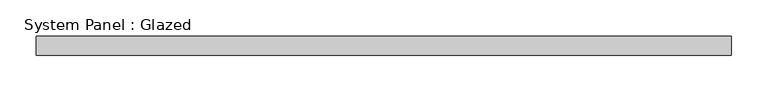
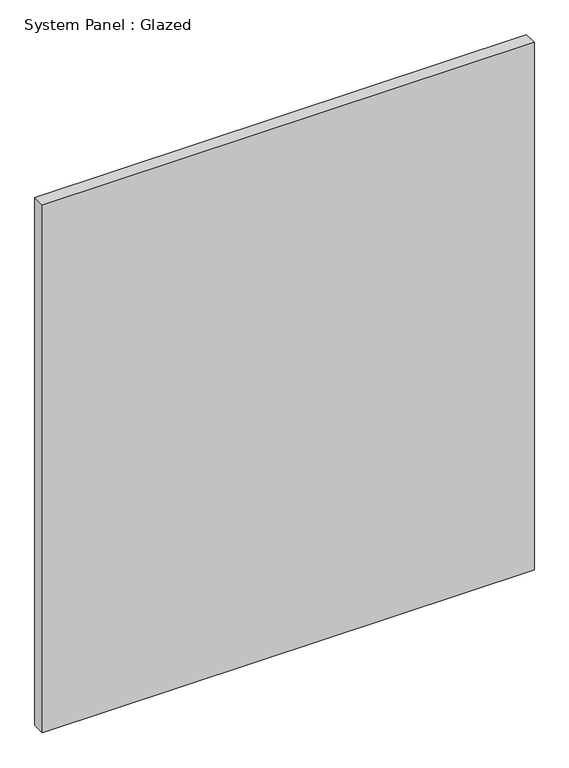
"""IFC4 building model written with IfcOpenShell, lengths in millimetres: plate geometry, System Panel : Glazed."""

from ifc_helpers import new_model, si_unit, origin, origin_with_axes, place, context, project, spatial, polyline, outline, extrude, source, transform, mapped, element, save


def system_panel_glazed_6c01ece0(model_context):
    return source(origin(), model_context, "Body", "SweptSolid", [
        extrude(outline(polyline([(476.25, -12.7), (-476.25, -12.7), (-476.25, 12.7), (476.25, 12.7), (476.25, -12.7)])), origin_with_axes(), (0.0, 0.0, 1.0), 1080.0),
    ])


if __name__ == "__main__":
    model = new_model("IFC4")
    model_context = context("Model", 3, world=origin())
    ifc_project = project(units=[si_unit("LENGTHUNIT", "METRE", prefix="MILLI")], contexts=[model_context])
    site = spatial("IfcSite", under=ifc_project)
    building = spatial("IfcBuilding", under=site)
    placement = place(None, origin())
    system_panel_glazed_shape = system_panel_glazed_6c01ece0(model_context)
    element("IfcPlate", 1, ObjectType="System Panel : Glazed", at=placement, inside=building, context=model_context, shape_type="MappedRepresentation", body=[
        mapped(system_panel_glazed_shape, transform((0.0, 0.0, 0.0), x_axis=(1.0, 0.0, 0.0), y_axis=(0.0, 1.0, 0.0), z_axis=(0.0, 0.0, 1.0))),
    ])
    save(model, "model.ifc")
